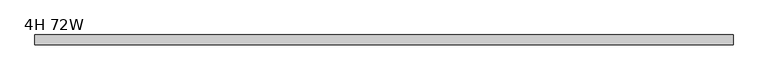
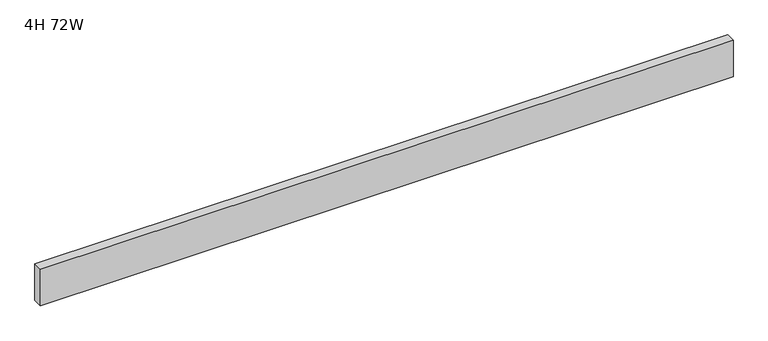
"""IFC4 building model written with IfcOpenShell, lengths in millimetres: furniture geometry, 4H 72W."""

from ifc_helpers import new_model, si_unit, frame, origin, place, context, project, spatial, polyline, outline, extrude, source, transform, mapped, element, save


def furniture_4h_72w_d2b1b0d2(model_context):
    return source(origin(), model_context, "Body", "SweptSolid", [
        extrude(outline(polyline([(1828.8, 0.0), (1828.8, -25.4), (0.0, -25.4), (0.0, 0.0), (1828.8, 0.0)])), frame((0.0, 0.0, 863.6), z_axis=(0.0, 0.0, 1.0), x_axis=(1.0, 0.0, 0.0)), (0.0, 0.0, 1.0), 101.6),
    ])


if __name__ == "__main__":
    model = new_model("IFC4")
    model_context = context("Model", 3, world=origin())
    ifc_project = project(units=[si_unit("LENGTHUNIT", "METRE", prefix="MILLI")], contexts=[model_context])
    site = spatial("IfcSite", under=ifc_project)
    building = spatial("IfcBuilding", under=site)
    placement = place(None, origin())
    furniture_4h_72w_shape = furniture_4h_72w_d2b1b0d2(model_context)
    element("IfcFurniture", 1, ObjectType="4H 72W", at=placement, inside=building, context=model_context, shape_type="MappedRepresentation", body=[
        mapped(furniture_4h_72w_shape, transform((0.0, 0.0, 0.0), x_axis=(1.0, 0.0, 0.0), y_axis=(0.0, 1.0, 0.0), z_axis=(0.0, 0.0, 1.0))),
    ])
    save(model, "model.ifc")
